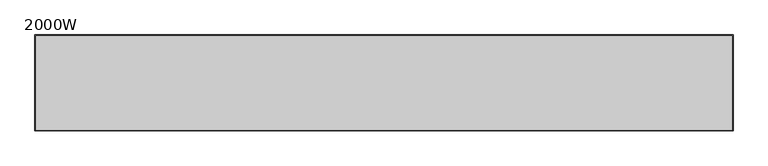
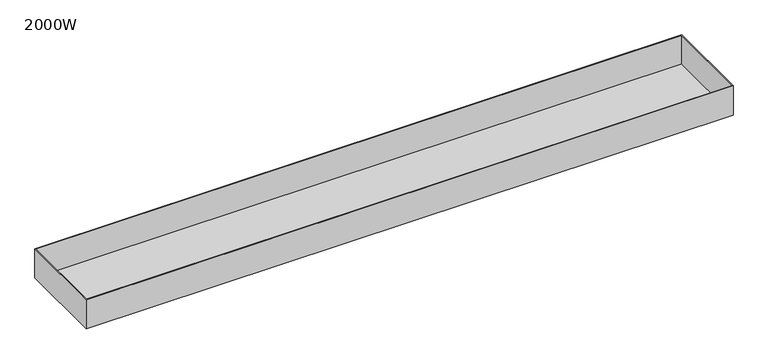
"""IFC4 building model written with IfcOpenShell, lengths in millimetres: furniture geometry, 2000W."""

from ifc_helpers import new_model, si_unit, origin, place, context, project, spatial, faceted_brep, source, transform, mapped, element, save


def furniture_2000w_37088dd1(model_context):
    return source(origin(), model_context, "Body", "Brep", [
        faceted_brep([(-910.0, -125.0, 435.0), (-910.0, -125.0, 522.0), (-910.0, 125.0, 522.0), (-910.0, 125.0, 435.0), (910.0, -125.0, 435.0), (910.0, 125.0, 435.0), (910.0, 125.0, 522.0), (910.0, -125.0, 522.0), (-908.0, 123.0, 522.0), (908.0, 123.0, 522.0), (908.0, -123.0, 522.0), (-908.0, -123.0, 522.0), (908.0, 123.0, 437.0), (-908.0, 123.0, 437.0), (-908.0, -123.0, 437.0), (908.0, -123.0, 437.0)], [[[0, 1, 2, 3]], [[4, 5, 6, 7]], [[1, 0, 4, 7]], [[2, 1, 7, 6], [8, 9, 10, 11]], [[3, 2, 6, 5]], [[0, 3, 5, 4]], [[12, 13, 14, 15]], [[13, 12, 9, 8]], [[14, 13, 8, 11]], [[15, 14, 11, 10]], [[12, 15, 10, 9]]]),
    ])


if __name__ == "__main__":
    model = new_model("IFC4")
    model_context = context("Model", 3, world=origin())
    ifc_project = project(units=[si_unit("LENGTHUNIT", "METRE", prefix="MILLI")], contexts=[model_context])
    site = spatial("IfcSite", under=ifc_project)
    building = spatial("IfcBuilding", under=site)
    placement = place(None, origin())
    furniture_2000w_shape = furniture_2000w_37088dd1(model_context)
    element("IfcFurniture", 1, ObjectType="2000W", at=placement, inside=building, context=model_context, shape_type="MappedRepresentation", body=[
        mapped(furniture_2000w_shape, transform((0.0, 0.0, 0.0), x_axis=(1.0, 0.0, 0.0), y_axis=(0.0, 1.0, 0.0), z_axis=(0.0, 0.0, 1.0))),
    ])
    save(model, "model.ifc")
